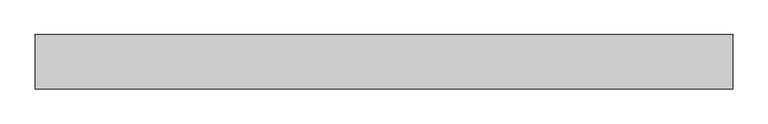
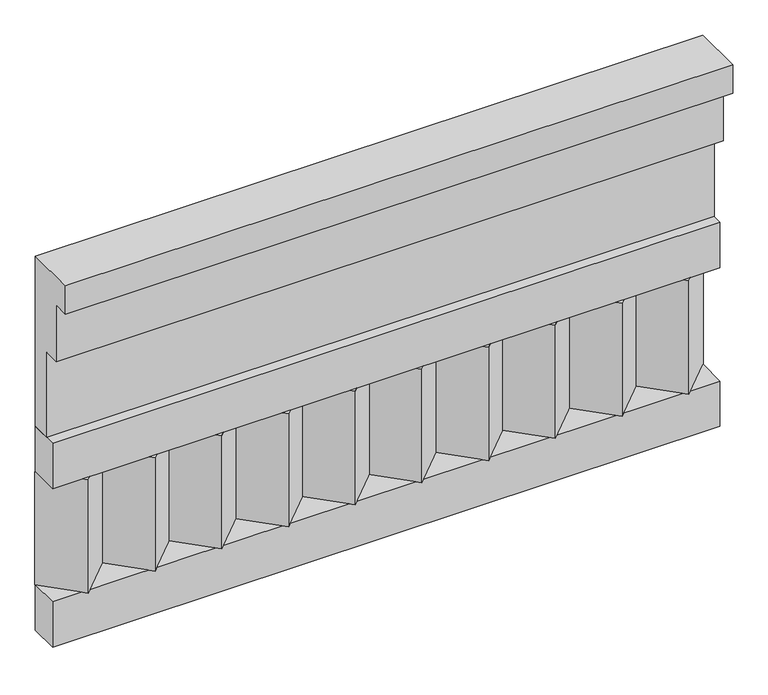
"""IFC4 building model written with IfcOpenShell, lengths in millimetres: railing geometry."""

from ifc_helpers import new_model, si_unit, frame, origin, place, context, project, spatial, polyline, outline, extrude, source, transform, mapped, element, save


def railing_ce996a7a(model_context):
    return source(origin(), model_context, "Body", "SweptSolid", [
        extrude(outline(polyline([(-16816.8920513, 15200.0), (-16816.8920513, 14750.0), (-16866.8920513, 14750.0), (-16866.8920513, 14975.0), (-16906.8920513, 14975.0), (-16906.8920513, 15125.0), (-16946.8920513, 15125.0), (-16946.8920513, 15200.0), (-16816.8920513, 15200.0)])), frame((-36509.9887159, 0.0, 0.0), z_axis=(1.0, 0.0, 0.0), x_axis=(0.0, 1.0, 0.0)), (0.0, 0.0, 1.0), 1670.0),
        extrude(outline(polyline([(-36509.9887159, -16891.8920513), (-36509.9887159, -16816.8920513), (-34839.9887159, -16816.8920513), (-34839.9887159, -16891.8920513), (-36509.9887159, -16891.8920513)])), frame((0.0, 0.0, 14630.0), z_axis=(0.0, 0.0, 1.0), x_axis=(1.0, 0.0, 0.0)), (0.0, 0.0, 1.0), 120.0),
        extrude(outline(polyline([(-36509.9887159, -16891.8920513), (-36509.9887159, -16816.8920513), (-34839.9887159, -16816.8920513), (-34839.9887159, -16891.8920513), (-36509.9887159, -16891.8920513)])), frame((0.0, 0.0, 14210.0), z_axis=(0.0, 0.0, 1.0), x_axis=(1.0, 0.0, 0.0)), (0.0, 0.0, 1.0), 120.0),
        extrude(outline(polyline([(-34923.4887159, -16901.7448651), (-35008.3415296, -16816.8920513), (-34838.6359022, -16816.8920513), (-34923.4887159, -16901.7448651)])), frame((0.0, 0.0, 14330.0), z_axis=(0.0, 0.0, 1.0), x_axis=(1.0, 0.0, 0.0)), (0.0, 0.0, 1.0), 300.0),
        extrude(outline(polyline([(-35090.4887159, -16901.7448651), (-35175.3415296, -16816.8920513), (-35005.6359022, -16816.8920513), (-35090.4887159, -16901.7448651)])), frame((0.0, 0.0, 14330.0), z_axis=(0.0, 0.0, 1.0), x_axis=(1.0, 0.0, 0.0)), (0.0, 0.0, 1.0), 300.0),
        extrude(outline(polyline([(-35257.4887159, -16901.7448651), (-35342.3415296, -16816.8920513), (-35172.6359022, -16816.8920513), (-35257.4887159, -16901.7448651)])), frame((0.0, 0.0, 14330.0), z_axis=(0.0, 0.0, 1.0), x_axis=(1.0, 0.0, 0.0)), (0.0, 0.0, 1.0), 300.0),
        extrude(outline(polyline([(-35424.4887159, -16901.7448651), (-35509.3415296, -16816.8920513), (-35339.6359022, -16816.8920513), (-35424.4887159, -16901.7448651)])), frame((0.0, 0.0, 14330.0), z_axis=(0.0, 0.0, 1.0), x_axis=(1.0, 0.0, 0.0)), (0.0, 0.0, 1.0), 300.0),
        extrude(outline(polyline([(-35591.4887159, -16901.7448651), (-35676.3415296, -16816.8920513), (-35506.6359022, -16816.8920513), (-35591.4887159, -16901.7448651)])), frame((0.0, 0.0, 14330.0), z_axis=(0.0, 0.0, 1.0), x_axis=(1.0, 0.0, 0.0)), (0.0, 0.0, 1.0), 300.0),
        extrude(outline(polyline([(-35758.4887159, -16901.7448651), (-35843.3415296, -16816.8920513), (-35673.6359022, -16816.8920513), (-35758.4887159, -16901.7448651)])), frame((0.0, 0.0, 14330.0), z_axis=(0.0, 0.0, 1.0), x_axis=(1.0, 0.0, 0.0)), (0.0, 0.0, 1.0), 300.0),
        extrude(outline(polyline([(-35925.4887159, -16901.7448651), (-36010.3415296, -16816.8920513), (-35840.6359022, -16816.8920513), (-35925.4887159, -16901.7448651)])), frame((0.0, 0.0, 14330.0), z_axis=(0.0, 0.0, 1.0), x_axis=(1.0, 0.0, 0.0)), (0.0, 0.0, 1.0), 300.0),
        extrude(outline(polyline([(-36092.4887159, -16901.7448651), (-36177.3415296, -16816.8920513), (-36007.6359022, -16816.8920513), (-36092.4887159, -16901.7448651)])), frame((0.0, 0.0, 14330.0), z_axis=(0.0, 0.0, 1.0), x_axis=(1.0, 0.0, 0.0)), (0.0, 0.0, 1.0), 300.0),
        extrude(outline(polyline([(-36259.4887159, -16901.7448651), (-36344.3415296, -16816.8920513), (-36174.6359022, -16816.8920513), (-36259.4887159, -16901.7448651)])), frame((0.0, 0.0, 14330.0), z_axis=(0.0, 0.0, 1.0), x_axis=(1.0, 0.0, 0.0)), (0.0, 0.0, 1.0), 300.0),
        extrude(outline(polyline([(-36426.4887159, -16901.7448651), (-36511.3415296, -16816.8920513), (-36341.6359022, -16816.8920513), (-36426.4887159, -16901.7448651)])), frame((0.0, 0.0, 14330.0), z_axis=(0.0, 0.0, 1.0), x_axis=(1.0, 0.0, 0.0)), (0.0, 0.0, 1.0), 300.0),
    ])


if __name__ == "__main__":
    model = new_model("IFC4")
    model_context = context("Model", 3, world=origin())
    ifc_project = project(units=[si_unit("LENGTHUNIT", "METRE", prefix="MILLI")], contexts=[model_context])
    site = spatial("IfcSite", under=ifc_project)
    building = spatial("IfcBuilding", under=site)
    placement = place(None, origin())
    railing_shape = railing_ce996a7a(model_context)
    element("IfcRailing", 1, at=placement, inside=building, context=model_context, shape_type="MappedRepresentation", body=[
        mapped(railing_shape, transform((0.0, 0.0, 0.0), x_axis=(1.0, 0.0, 0.0), y_axis=(0.0, 1.0, 0.0), z_axis=(0.0, 0.0, 1.0))),
    ])
    save(model, "model.ifc")
